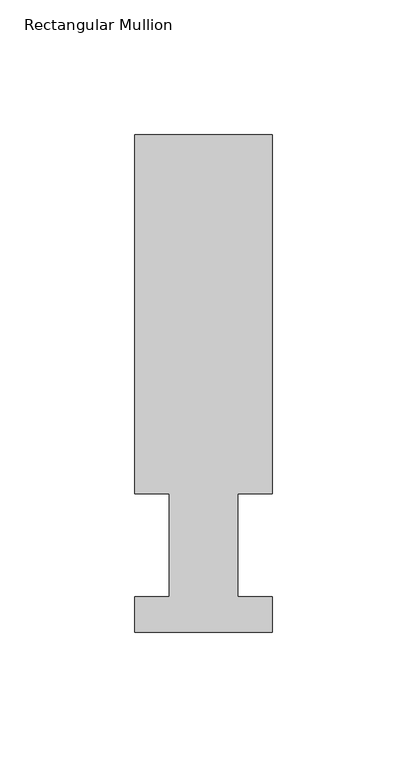
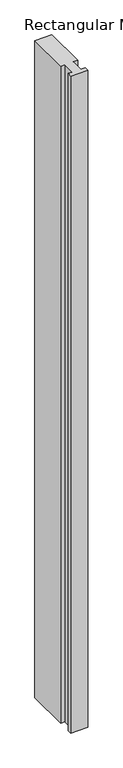
"""IFC4 building model written with IfcOpenShell, lengths in millimetres: member geometry, Rectangular Mullion."""

from ifc_helpers import new_model, si_unit, frame, origin, place, context, project, spatial, polyline, outline, extrude, source, transform, mapped, element, save


def rectangular_mullion_b8ef7821(model_context):
    return source(origin(), model_context, "Body", "SweptSolid", [
        extrude(outline(polyline([(25.4, 184.2396938), (25.4, 51.2960937), (12.7, 51.2960937), (12.7, 13.1960938), (25.4, 13.1960938), (25.4, 0.0134937), (-25.4, 0.0134937), (-25.4, 13.1960938), (-12.7, 13.1960938), (-12.7, 51.2960937), (-25.4, 51.2960937), (-25.4, 184.2396938), (25.4, 184.2396938)])), frame((0.0, 0.0, -2070.1), z_axis=(0.0, 0.0, 1.0), x_axis=(1.0, 0.0, 0.0)), (0.0, 0.0, 1.0), 2070.1),
    ])


if __name__ == "__main__":
    model = new_model("IFC4")
    model_context = context("Model", 3, world=origin())
    ifc_project = project(units=[si_unit("LENGTHUNIT", "METRE", prefix="MILLI")], contexts=[model_context])
    site = spatial("IfcSite", under=ifc_project)
    building = spatial("IfcBuilding", under=site)
    placement = place(None, origin())
    rectangular_mullion_shape = rectangular_mullion_b8ef7821(model_context)
    element("IfcMember", 1, ObjectType="Rectangular Mullion", at=placement, inside=building, context=model_context, shape_type="MappedRepresentation", body=[
        mapped(rectangular_mullion_shape, transform((0.0, 0.0, 0.0), x_axis=(1.0, 0.0, 0.0), y_axis=(0.0, 1.0, 0.0), z_axis=(0.0, 0.0, 1.0))),
    ])
    save(model, "model.ifc")
